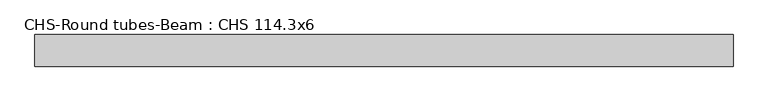
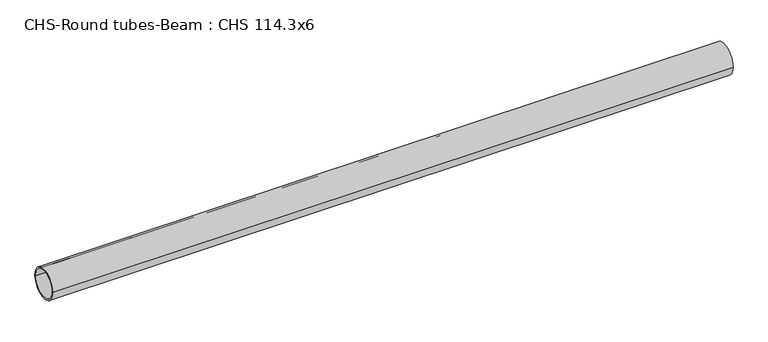
"""IFC4 building model written with IfcOpenShell, lengths in millimetres: beam geometry, CHS-Round tubes-Beam : CHS 114.3x6."""

from ifc_helpers import new_model, si_unit, point, frame, origin, origin_2d, place, context, project, spatial, circle_curve, trimmed, segment, composite_curve, outline, extrude, source, transform, mapped, element, save


def chs_round_tubes_beam_chs_114_3x6_6048e81f(model_context):
    return source(origin(), model_context, "Body", "SweptSolid", [
        extrude(outline(composite_curve([segment(trimmed(circle_curve(origin_2d(), 57.15), [point((57.15, 0.0))], [point((-57.15, 0.0))], False, "CARTESIAN"), True, "CONTINUOUS"), segment(trimmed(circle_curve(origin_2d(), 57.15), [point((-57.15, 0.0))], [point((57.15, 0.0))], False, "CARTESIAN"), True, "CONTINUOUS")], self_intersect=False), holes=[composite_curve([segment(trimmed(circle_curve(origin_2d(), 51.15), [point((51.15, 0.0))], [point((-51.15, 0.0))], True, "CARTESIAN"), True, "CONTINUOUS"), segment(trimmed(circle_curve(origin_2d(), 51.15), [point((-51.15, 0.0))], [point((51.15, 0.0))], True, "CARTESIAN"), True, "CONTINUOUS")], self_intersect=False)]), frame((-1251.9119909, 0.0, 0.0), z_axis=(1.0, 0.0, 0.0), x_axis=(0.0, 1.0, 0.0)), (0.0, 0.0, 1.0), 2524.7711471),
    ])


if __name__ == "__main__":
    model = new_model("IFC4")
    model_context = context("Model", 3, world=origin())
    ifc_project = project(units=[si_unit("LENGTHUNIT", "METRE", prefix="MILLI")], contexts=[model_context])
    site = spatial("IfcSite", under=ifc_project)
    building = spatial("IfcBuilding", under=site)
    placement = place(None, origin())
    chs_round_tubes_beam_chs_114_3x6_shape = chs_round_tubes_beam_chs_114_3x6_6048e81f(model_context)
    element("IfcBeam", 1, ObjectType="CHS-Round tubes-Beam : CHS 114.3x6", at=placement, inside=building, context=model_context, shape_type="MappedRepresentation", body=[
        mapped(chs_round_tubes_beam_chs_114_3x6_shape, transform((0.0, 0.0, 0.0), x_axis=(1.0, 0.0, 0.0), y_axis=(0.0, 1.0, 0.0), z_axis=(0.0, 0.0, 1.0))),
    ])
    save(model, "model.ifc")
